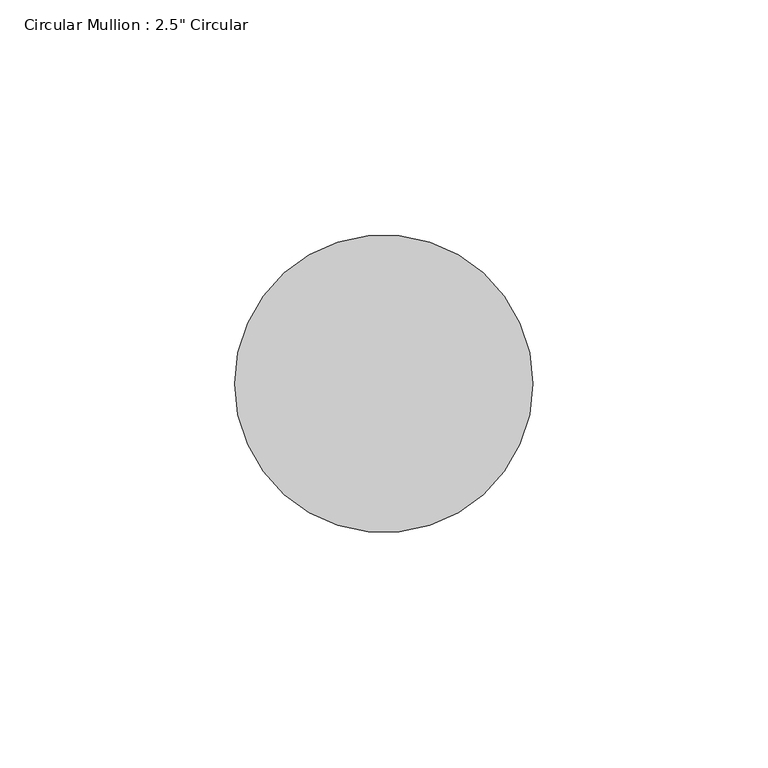
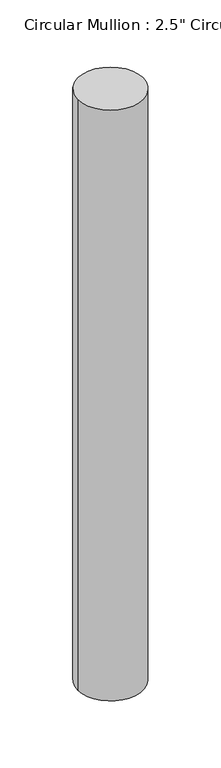
"""IFC4 building model written with IfcOpenShell, lengths in millimetres: member geometry."""

from ifc_helpers import new_model, si_unit, point, frame, frame_2d, origin, place, context, project, spatial, circle_curve, trimmed, segment, composite_curve, outline, extrude, source, transform, mapped, element, save


def member_95cdebaa(model_context):
    return source(origin(), model_context, "Body", "SweptSolid", [
        extrude(outline(composite_curve([segment(trimmed(circle_curve(frame_2d((-31.75, 0.0)), 31.75), [point((0.0, 0.0))], [point((-63.5, 0.0))], False, "CARTESIAN"), True, "CONTINUOUS"), segment(trimmed(circle_curve(frame_2d((-31.75, 0.0)), 31.75), [point((-63.5, 0.0))], [point((0.0, 0.0))], False, "CARTESIAN"), True, "CONTINUOUS")], self_intersect=False)), frame((0.0, 0.0, -609.6), z_axis=(0.0, 0.0, 1.0), x_axis=(1.0, 0.0, 0.0)), (0.0, 0.0, 1.0), 609.6),
    ])


if __name__ == "__main__":
    model = new_model("IFC4")
    model_context = context("Model", 3, world=origin())
    ifc_project = project(units=[si_unit("LENGTHUNIT", "METRE", prefix="MILLI")], contexts=[model_context])
    site = spatial("IfcSite", under=ifc_project)
    building = spatial("IfcBuilding", under=site)
    placement = place(None, origin())
    member_shape = member_95cdebaa(model_context)
    element("IfcMember", 1, ObjectType="Circular Mullion : 2.5\" Circular", at=placement, inside=building, context=model_context, shape_type="MappedRepresentation", body=[
        mapped(member_shape, transform((0.0, 0.0, 0.0), x_axis=(1.0, 0.0, 0.0), y_axis=(0.0, 1.0, 0.0), z_axis=(0.0, 0.0, 1.0))),
    ])
    save(model, "model.ifc")
